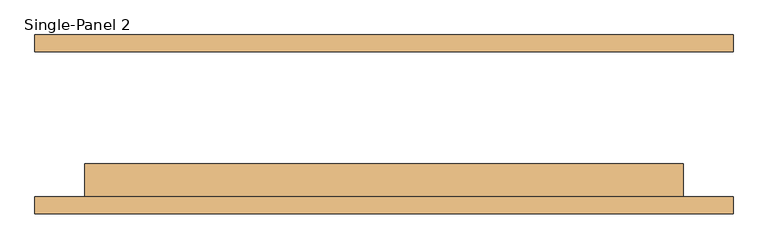
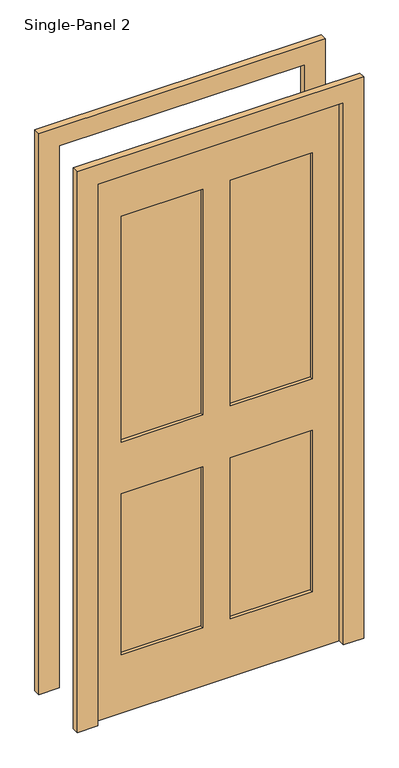
"""IFC4 building model written with IfcOpenShell, lengths in millimetres: door geometry, Single-Panel 2."""

from ifc_helpers import new_model, si_unit, frame, origin, place, context, project, spatial, polyline, outline, extrude, source, transform, mapped, element, save


def single_panel_2_2fe02692(model_context):
    return source(origin(), model_context, "Body", "SweptSolid", [
        extrude(outline(polyline([(-50.9240165, -73.025), (-50.9240165, -98.425), (-355.0511799, -98.425), (-355.0511799, -73.025), (-50.9240165, -73.025)])), frame((0.0, 0.0, 1068.1906173), z_axis=(0.0, 0.0, 1.0), x_axis=(1.0, 0.0, 0.0)), (0.0, 0.0, 1.0), 889.2046757),
        extrude(outline(polyline([(356.1488201, -73.025), (356.1488201, -98.425), (50.6759835, -98.425), (50.6759835, -73.025), (356.1488201, -73.025)])), frame((0.0, 0.0, 1068.1906173), z_axis=(0.0, 0.0, 1.0), x_axis=(1.0, 0.0, 0.0)), (0.0, 0.0, 1.0), 889.2046757),
        extrude(outline(polyline([(-50.9240165, -73.025), (-50.9240165, -98.425), (-355.0511799, -98.425), (-355.0511799, -73.025), (-50.9240165, -73.025)])), frame((0.0, 0.0, 230.195293), z_axis=(0.0, 0.0, 1.0), x_axis=(1.0, 0.0, 0.0)), (0.0, 0.0, 1.0), 635.0),
        extrude(outline(polyline([(356.1488201, -73.025), (356.1488201, -98.425), (50.6759835, -98.425), (50.6759835, -73.025), (356.1488201, -73.025)])), frame((0.0, 0.0, 230.195293), z_axis=(0.0, 0.0, 1.0), x_axis=(1.0, 0.0, 0.0)), (0.0, 0.0, 1.0), 634.7953243),
        extrude(outline(polyline([(2209.8, -533.4), (1.3906173, -533.4), (1.3906173, -457.3240165), (2134.9906173, -457.3240165), (2134.9906173, 457.0759835), (1.3906173, 457.0759835), (0.0, 533.4), (2209.8, 533.4), (2209.8, -533.4)])), frame((0.0, -136.525, 0.0), z_axis=(0.0, 1.0, 0.0), x_axis=(0.0, 0.0, 1.0)), (0.0, 0.0, 1.0), 25.4),
        extrude(outline(polyline([(2209.8, 533.4), (2209.8, -533.4), (1.3906173, -533.4), (1.3906173, -457.3240165), (2134.9906173, -457.3240165), (2134.9906173, 457.0759835), (1.3906173, 457.0759835), (0.0, 533.4), (2209.8, 533.4)])), frame((0.0, 111.125, 0.0), z_axis=(0.0, 1.0, 0.0), x_axis=(0.0, 0.0, 1.0)), (0.0, 0.0, 1.0), 25.4),
        extrude(outline(polyline([(2134.9906173, 457.0759835), (2134.9906173, -457.3240165), (1.3906173, -457.3240165), (1.3906173, 457.0759835), (2134.9906173, 457.0759835)]), holes=[polyline([(1957.395293, -50.9240165), (1068.1906173, -50.9240165), (1068.1906173, -355.0511799), (1957.395293, -355.0511799), (1957.395293, -50.9240165)]), polyline([(1957.395293, 356.1488201), (1068.1906173, 356.1488201), (1068.1906173, 50.6759835), (1957.395293, 50.6759835), (1957.395293, 356.1488201)]), polyline([(865.195293, -50.9240165), (230.195293, -50.9240165), (230.195293, -355.0511799), (865.195293, -355.0511799), (865.195293, -50.9240165)]), polyline([(864.9906173, 356.1488201), (230.195293, 356.1488201), (230.195293, 50.6759835), (864.9906173, 50.6759835), (864.9906173, 356.1488201)])]), frame((0.0, -111.125, 0.0), z_axis=(0.0, 1.0, 0.0), x_axis=(0.0, 0.0, 1.0)), (0.0, 0.0, 1.0), 50.8),
    ])


if __name__ == "__main__":
    model = new_model("IFC4")
    model_context = context("Model", 3, world=origin())
    ifc_project = project(units=[si_unit("LENGTHUNIT", "METRE", prefix="MILLI")], contexts=[model_context])
    site = spatial("IfcSite", under=ifc_project)
    building = spatial("IfcBuilding", under=site)
    placement = place(None, origin())
    single_panel_2_shape = single_panel_2_2fe02692(model_context)
    element("IfcDoor", 1, ObjectType="Single-Panel 2", at=placement, inside=building, context=model_context, shape_type="MappedRepresentation", body=[
        mapped(single_panel_2_shape, transform((0.0, 0.0, 0.0), x_axis=(1.0, 0.0, 0.0), y_axis=(0.0, 1.0, 0.0), z_axis=(0.0, 0.0, 1.0))),
    ])
    save(model, "model.ifc")
